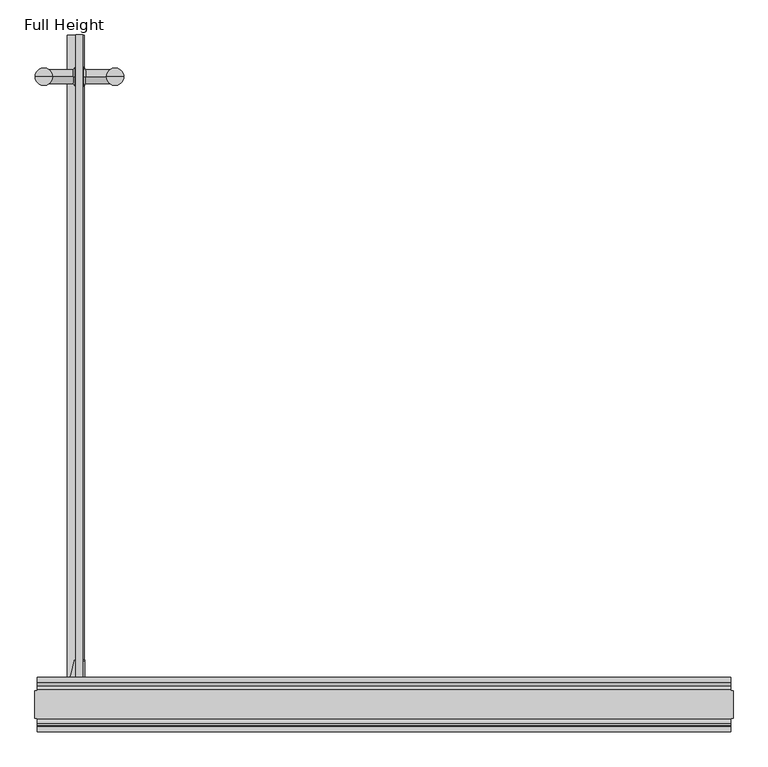
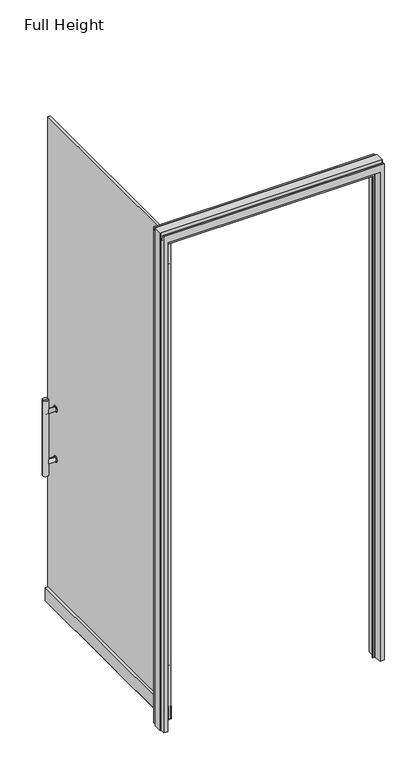
"""IFC4 building model written with IfcOpenShell, lengths in millimetres: plate geometry, Full Height."""

from ifc_helpers import new_model, si_unit, point, frame, frame_2d, origin, place, context, project, spatial, polyline, circle_curve, ellipse_curve, trimmed, segment, composite_curve, outline, extrude, source, transform, mapped, element, save
from ifc_brep_helpers import plane_surface, cylinder_surface, revolved_surface, advanced_brep


def full_height_d1a05b37(model_context):
    return source(origin(), model_context, "Body", "SolidModel", [
        advanced_brep(
        [(-550.4434, 1148.6134, 901.7), (-563.1434, 1148.6134, 901.7), (-563.1434, 1148.6134, 927.1), (-550.4434, 1148.6134, 927.1), (-550.4434, 1148.6134, 896.9), (-550.4434, 1148.6134, 931.9), (-549.1734, 1148.6134, 896.9), (-549.1734, 1148.6134, 931.9), (-545.3634, 1148.6134, 901.7), (-545.3634, 1148.6134, 927.1), (-491.7059, 1148.6134, 901.7), (-491.7059, 1148.6134, 927.1), (-491.7059, 1148.6134, 914.4), (-621.8809, 1148.6134, 901.7), (-621.8809, 1148.6134, 914.4), (-621.8809, 1148.6134, 927.1), (-568.2234, 1148.6134, 901.7), (-568.2234, 1148.6134, 927.1), (-564.4134, 1148.6134, 896.9), (-564.4134, 1148.6134, 931.9), (-563.1434, 1148.6134, 896.9), (-563.1434, 1148.6134, 931.9)],
        [
            (0, 1),
            (1, 2, circle_curve(frame((-563.1434, 1148.6134, 914.4), z_axis=(1.0, 0.0, 0.0), x_axis=(0.0, 0.0, 1.0)), 12.7)),
            (2, 3),
            (3, 0, circle_curve(frame((-550.4434, 1148.6134, 914.4), z_axis=(-1.0, 0.0, 0.0), x_axis=(0.0, 0.0, 1.0)), 12.7)),
            (4, 0),
            (3, 5),
            (5, 4, circle_curve(frame((-550.4434, 1148.6134, 914.4), z_axis=(-1.0, 0.0, 0.0), x_axis=(0.0, 0.0, 1.0)), 17.5)),
            (6, 4),
            (5, 7),
            (7, 6, circle_curve(frame((-549.1734, 1148.6134, 914.4), z_axis=(-1.0, 0.0, 0.0), x_axis=(0.0, 0.0, 1.0)), 17.5)),
            (5, 4, circle_curve(frame((-550.4434, 1148.6134, 914.4), z_axis=(1.0, 0.0, 0.0), x_axis=(0.0, 0.0, 1.0)), 17.5)),
            (6, 7, circle_curve(frame((-549.1734, 1148.6134, 914.4), z_axis=(-1.0, 0.0, 0.0), x_axis=(0.0, 0.0, 1.0)), 17.5)),
            (8, 6),
            (7, 9),
            (9, 8, circle_curve(frame((-545.3634, 1148.6134, 914.4), z_axis=(-1.0, 0.0, 0.0), x_axis=(0.0, 0.0, 1.0)), 12.7)),
            (8, 9, circle_curve(frame((-545.3634, 1148.6134, 914.4), z_axis=(-1.0, 0.0, 0.0), x_axis=(0.0, 0.0, 1.0)), 12.7)),
            (10, 8),
            (9, 11),
            (11, 10, circle_curve(frame((-491.7059, 1148.6134, 914.4), z_axis=(-1.0, 0.0, 0.0), x_axis=(0.0, 0.0, 1.0)), 12.7)),
            (10, 11, circle_curve(frame((-491.7059, 1148.6134, 914.4), z_axis=(-1.0, 0.0, 0.0), x_axis=(0.0, 0.0, 1.0)), 12.7)),
            (12, 11),
            (10, 12),
            (13, 14),
            (14, 15),
            (15, 13, circle_curve(frame((-621.8809, 1148.6134, 914.4), z_axis=(-1.0, 0.0, 0.0), x_axis=(0.0, 0.0, 1.0)), 12.7)),
            (13, 15, circle_curve(frame((-621.8809, 1148.6134, 914.4), z_axis=(-1.0, 0.0, 0.0), x_axis=(0.0, 0.0, 1.0)), 12.7)),
            (16, 13),
            (15, 17),
            (17, 16, circle_curve(frame((-568.2234, 1148.6134, 914.4), z_axis=(-1.0, 0.0, 0.0), x_axis=(0.0, 0.0, 1.0)), 12.7)),
            (16, 17, circle_curve(frame((-568.2234, 1148.6134, 914.4), z_axis=(-1.0, 0.0, 0.0), x_axis=(0.0, 0.0, 1.0)), 12.7)),
            (18, 16),
            (17, 19),
            (19, 18, circle_curve(frame((-564.4134, 1148.6134, 914.4), z_axis=(-1.0, 0.0, 0.0), x_axis=(0.0, 0.0, 1.0)), 17.5)),
            (18, 19, circle_curve(frame((-564.4134, 1148.6134, 914.4), z_axis=(-1.0, 0.0, 0.0), x_axis=(0.0, 0.0, 1.0)), 17.5)),
            (20, 18),
            (19, 21),
            (21, 20, circle_curve(frame((-563.1434, 1148.6134, 914.4), z_axis=(-1.0, 0.0, 0.0), x_axis=(0.0, 0.0, 1.0)), 17.5)),
            (20, 21, circle_curve(frame((-563.1434, 1148.6134, 914.4), z_axis=(-1.0, 0.0, 0.0), x_axis=(0.0, 0.0, 1.0)), 17.5)),
            (1, 20),
            (21, 2),
            (1, 2, circle_curve(frame((-563.1434, 1148.6134, 914.4), z_axis=(-1.0, 0.0, 0.0), x_axis=(0.0, 0.0, 1.0)), 12.7)),
            (0, 3, circle_curve(frame((-550.4434, 1148.6134, 914.4), z_axis=(-1.0, 0.0, 0.0), x_axis=(0.0, 0.0, 1.0)), 12.7)),
        ],
        [
            cylinder_surface(frame((-491.7059, 1148.6134, 914.4), z_axis=(1.0, 0.0, 0.0), x_axis=(0.0, 0.0, 1.0)), 12.7),
            plane_surface(frame((-550.4434, 1148.6134, 914.4), z_axis=(-1.0, 0.0, 0.0), x_axis=(0.0, 0.0, 1.0))),
            cylinder_surface(frame((-491.7059, 1148.6134, 914.4), z_axis=(1.0, 0.0, 0.0), x_axis=(0.0, 0.0, 1.0)), 17.5),
            revolved_surface(polyline([(-549.1734, 1148.6134, 931.9), (-545.3634, 1148.6134, 927.1)]), (-491.7059, 1148.6134, 914.4), (1.0, 0.0, 0.0)),
            plane_surface(frame((-491.7059, 1148.6134, 914.4), z_axis=(1.0, 0.0, 0.0), x_axis=(0.0, 0.0, 1.0))),
            plane_surface(frame((-621.8809, 1148.6134, 914.4), z_axis=(-1.0, 0.0, 0.0), x_axis=(0.0, 0.0, 1.0))),
            revolved_surface(polyline([(-568.2234, 1148.6134, 927.1), (-564.4134, 1148.6134, 931.9)]), (-491.7059, 1148.6134, 914.4), (1.0, 0.0, 0.0)),
            plane_surface(frame((-563.1434, 1148.6134, 914.4), z_axis=(1.0, 0.0, 0.0), x_axis=(0.0, 0.0, 1.0))),
        ],
        [
            (0, [[1, 2, 3, 4]]),
            (1, [[5, -4, 6, 7]]),
            (2, [[8, -7, 9, 10]]),
            (2, [[-9, 11, -8, 12]]),
            (3, [[13, -10, 14, 15]]),
            (3, [[-14, -12, -13, 16]]),
            (0, [[17, -15, 18, 19]]),
            (0, [[-18, -16, -17, 20]]),
            (4, [[21, -20, 22]]),
            (5, [[23, 24, 25]]),
            (5, [[-24, -23, 26]]),
            (0, [[27, -25, 28, 29]]),
            (0, [[-28, -26, -27, 30]]),
            (6, [[31, -29, 32, 33]]),
            (6, [[-32, -30, -31, 34]]),
            (2, [[35, -33, 36, 37]]),
            (2, [[-36, -34, -35, 38]]),
            (7, [[39, -37, 40, -2]]),
            (7, [[-40, -38, -39, 41]]),
            (0, [[-3, -41, -1, 42]]),
            (1, [[-6, -42, -5, -11]]),
            (4, [[-22, -19, -21]]),
        ],
    ),
        advanced_brep(
        [(-549.1734, 1148.6134, 1236.7), (-545.3634, 1148.6134, 1231.9), (-545.3634, 1148.6134, 1206.5), (-549.1734, 1148.6134, 1201.7), (-550.4434, 1148.6134, 1206.5), (-550.4434, 1148.6134, 1201.7), (-550.4434, 1148.6134, 1236.7), (-550.4434, 1148.6134, 1231.9), (-563.1434, 1148.6134, 1201.7), (-563.1434, 1148.6134, 1206.5), (-563.1434, 1148.6134, 1231.9), (-563.1434, 1148.6134, 1236.7), (-621.8809, 1148.6134, 1206.5), (-568.2234, 1148.6134, 1206.5), (-568.2234, 1148.6134, 1231.9), (-621.8809, 1148.6134, 1231.9), (-621.8809, 1148.6134, 1219.2), (-491.7059, 1148.6134, 1206.5), (-491.7059, 1148.6134, 1219.2), (-491.7059, 1148.6134, 1231.9), (-564.4134, 1148.6134, 1236.7), (-564.4134, 1148.6134, 1201.7)],
        [
            (0, 1),
            (1, 2, circle_curve(frame((-545.3634, 1148.6134, 1219.2), z_axis=(-1.0, 0.0, 0.0), x_axis=(0.0, 0.0, -1.0)), 12.7)),
            (2, 3),
            (3, 0, circle_curve(frame((-549.1734, 1148.6134, 1219.2), z_axis=(1.0, 0.0, 0.0), x_axis=(0.0, 0.0, -1.0)), 17.5)),
            (4, 5),
            (5, 6, circle_curve(frame((-550.4434, 1148.6134, 1219.2), z_axis=(-1.0, 0.0, 0.0), x_axis=(0.0, 0.0, -1.0)), 17.5)),
            (6, 7),
            (7, 4, circle_curve(frame((-550.4434, 1148.6134, 1219.2), z_axis=(1.0, 0.0, 0.0), x_axis=(0.0, 0.0, -1.0)), 12.7)),
            (8, 9),
            (9, 10, circle_curve(frame((-563.1434, 1148.6134, 1219.2), z_axis=(-1.0, 0.0, 0.0), x_axis=(0.0, 0.0, -1.0)), 12.7)),
            (10, 11),
            (11, 8, circle_curve(frame((-563.1434, 1148.6134, 1219.2), z_axis=(1.0, 0.0, 0.0), x_axis=(0.0, 0.0, -1.0)), 17.5)),
            (12, 13),
            (13, 14, circle_curve(frame((-568.2234, 1148.6134, 1219.2), z_axis=(-1.0, 0.0, 0.0), x_axis=(0.0, 0.0, -1.0)), 12.7)),
            (14, 15),
            (15, 12, circle_curve(frame((-621.8809, 1148.6134, 1219.2), z_axis=(1.0, 0.0, 0.0), x_axis=(0.0, 0.0, -1.0)), 12.7)),
            (16, 15),
            (15, 12, circle_curve(frame((-621.8809, 1148.6134, 1219.2), z_axis=(-1.0, 0.0, 0.0), x_axis=(0.0, 0.0, -1.0)), 12.7)),
            (12, 16),
            (17, 18),
            (18, 19),
            (19, 17, circle_curve(frame((-491.7059, 1148.6134, 1219.2), z_axis=(1.0, 0.0, 0.0), x_axis=(0.0, 0.0, -1.0)), 12.7)),
            (6, 5, circle_curve(frame((-550.4434, 1148.6134, 1219.2), z_axis=(-1.0, 0.0, 0.0), x_axis=(0.0, 0.0, -1.0)), 17.5)),
            (4, 7, circle_curve(frame((-550.4434, 1148.6134, 1219.2), z_axis=(1.0, 0.0, 0.0), x_axis=(0.0, 0.0, -1.0)), 12.7)),
            (17, 19, circle_curve(frame((-491.7059, 1148.6134, 1219.2), z_axis=(1.0, 0.0, 0.0), x_axis=(0.0, 0.0, -1.0)), 12.7)),
            (1, 19),
            (17, 2),
            (1, 2, circle_curve(frame((-545.3634, 1148.6134, 1219.2), z_axis=(1.0, 0.0, 0.0), x_axis=(0.0, 0.0, -1.0)), 12.7)),
            (0, 3, circle_curve(frame((-549.1734, 1148.6134, 1219.2), z_axis=(1.0, 0.0, 0.0), x_axis=(0.0, 0.0, -1.0)), 17.5)),
            (6, 0),
            (3, 5),
            (10, 7),
            (4, 9),
            (9, 10, circle_curve(frame((-563.1434, 1148.6134, 1219.2), z_axis=(1.0, 0.0, 0.0), x_axis=(0.0, 0.0, -1.0)), 12.7)),
            (8, 11, circle_curve(frame((-563.1434, 1148.6134, 1219.2), z_axis=(1.0, 0.0, 0.0), x_axis=(0.0, 0.0, -1.0)), 17.5)),
            (20, 11),
            (8, 21),
            (21, 20, circle_curve(frame((-564.4134, 1148.6134, 1219.2), z_axis=(1.0, 0.0, 0.0), x_axis=(0.0, 0.0, -1.0)), 17.5)),
            (20, 21, circle_curve(frame((-564.4134, 1148.6134, 1219.2), z_axis=(1.0, 0.0, 0.0), x_axis=(0.0, 0.0, -1.0)), 17.5)),
            (14, 20),
            (21, 13),
            (13, 14, circle_curve(frame((-568.2234, 1148.6134, 1219.2), z_axis=(1.0, 0.0, 0.0), x_axis=(0.0, 0.0, -1.0)), 12.7)),
        ],
        [
            revolved_surface(polyline([(-545.3634, 1148.6134, 1206.5), (-549.1734, 1148.6134, 1201.7)]), (-491.7059, 1148.6134, 1219.2), (-1.0, 0.0, 0.0)),
            plane_surface(frame((-550.4434, 1148.6134, 1219.2), z_axis=(-1.0, 0.0, 0.0), x_axis=(0.0, 0.0, -1.0))),
            plane_surface(frame((-563.1434, 1148.6134, 1219.2), z_axis=(1.0, 0.0, 0.0), x_axis=(0.0, 0.0, -1.0))),
            cylinder_surface(frame((-491.7059, 1148.6134, 1219.2), z_axis=(-1.0, 0.0, 0.0), x_axis=(0.0, 0.0, -1.0)), 12.7),
            plane_surface(frame((-621.8809, 1148.6134, 1219.2), z_axis=(-1.0, 0.0, 0.0), x_axis=(0.0, 0.0, -1.0))),
            plane_surface(frame((-491.7059, 1148.6134, 1219.2), z_axis=(1.0, 0.0, 0.0), x_axis=(0.0, 0.0, -1.0))),
            cylinder_surface(frame((-491.7059, 1148.6134, 1219.2), z_axis=(-1.0, 0.0, 0.0), x_axis=(0.0, 0.0, -1.0)), 17.5),
            revolved_surface(polyline([(-564.4134, 1148.6134, 1201.7), (-568.2234, 1148.6134, 1206.5)]), (-491.7059, 1148.6134, 1219.2), (-1.0, 0.0, 0.0)),
        ],
        [
            (0, [[1, 2, 3, 4]]),
            (1, [[5, 6, 7, 8]]),
            (2, [[9, 10, 11, 12]]),
            (3, [[13, 14, 15, 16]]),
            (4, [[17, 18, 19]]),
            (4, [[-19, -16, -17]]),
            (5, [[20, 21, 22]]),
            (1, [[-7, 23, -5, 24]]),
            (5, [[-21, -20, 25]]),
            (3, [[26, -25, 27, -2]]),
            (3, [[-27, -22, -26, 28]]),
            (0, [[-3, -28, -1, 29]]),
            (6, [[30, -4, 31, -23]]),
            (6, [[-31, -29, -30, -6]]),
            (3, [[32, -24, 33, 34]]),
            (3, [[-33, -8, -32, -10]]),
            (2, [[-11, -34, -9, 35]]),
            (6, [[36, -35, 37, 38]]),
            (6, [[-37, -12, -36, 39]]),
            (7, [[40, -38, 41, 42]]),
            (7, [[-41, -39, -40, -14]]),
            (3, [[-15, -42, -13, -18]]),
        ],
    ),
        advanced_brep(
        [(-606.0059, 1148.6134, 1295.4), (-621.8809, 1148.6134, 1295.4), (-637.7559, 1148.6134, 1295.4), (-606.0059, 1148.6134, 838.2), (-637.7559, 1148.6134, 838.2), (-621.8809, 1148.6134, 838.2)],
        [
            (0, 1),
            (1, 2),
            (2, 0, circle_curve(frame((-621.8809, 1148.6134, 1295.4), z_axis=(0.0, 0.0, 1.0), x_axis=(1.0, 0.0, 0.0)), 15.875)),
            (3, 0),
            (2, 4),
            (4, 3, circle_curve(frame((-621.8809, 1148.6134, 838.2), z_axis=(0.0, 0.0, 1.0), x_axis=(1.0, 0.0, 0.0)), 15.875)),
            (0, 2, circle_curve(frame((-621.8809, 1148.6134, 1295.4), z_axis=(0.0, 0.0, 1.0), x_axis=(1.0, 0.0, 0.0)), 15.875)),
            (5, 4),
            (4, 3, circle_curve(frame((-621.8809, 1148.6134, 838.2), z_axis=(0.0, 0.0, -1.0), x_axis=(1.0, 0.0, 0.0)), 15.875)),
            (3, 5),
        ],
        [
            plane_surface(frame((-621.8809, 1148.6134, 1295.4), z_axis=(0.0, 0.0, 1.0), x_axis=(1.0, 0.0, 0.0))),
            cylinder_surface(frame((-621.8809, 1148.6134, 838.2), z_axis=(0.0, 0.0, -1.0), x_axis=(1.0, 0.0, 0.0)), 15.875),
            plane_surface(frame((-621.8809, 1148.6134, 838.2), z_axis=(0.0, 0.0, -1.0), x_axis=(1.0, 0.0, 0.0))),
        ],
        [
            (0, [[1, 2, 3]]),
            (1, [[4, -3, 5, 6]]),
            (0, [[-2, -1, 7]]),
            (2, [[8, 9, 10]]),
            (1, [[-5, -7, -4, -9]]),
            (2, [[-10, -6, -8]]),
        ],
    ),
        advanced_brep(
        [(-475.8309, 1148.6134, 1295.4), (-491.7059, 1148.6134, 1295.4), (-507.5809, 1148.6134, 1295.4), (-507.5809, 1148.6134, 838.2), (-475.8309, 1148.6134, 838.2), (-491.7059, 1148.6134, 838.2)],
        [
            (0, 1),
            (1, 2),
            (2, 0, circle_curve(frame((-491.7059, 1148.6134, 1295.4), z_axis=(0.0, 0.0, 1.0), x_axis=(1.0, 0.0, 0.0)), 15.875)),
            (3, 2),
            (2, 0, circle_curve(frame((-491.7059, 1148.6134, 1295.4), z_axis=(0.0, 0.0, -1.0), x_axis=(1.0, 0.0, 0.0)), 15.875)),
            (0, 4),
            (4, 3, circle_curve(frame((-491.7059, 1148.6134, 838.2), z_axis=(0.0, 0.0, 1.0), x_axis=(1.0, 0.0, 0.0)), 15.875)),
            (3, 4, circle_curve(frame((-491.7059, 1148.6134, 838.2), z_axis=(0.0, 0.0, 1.0), x_axis=(1.0, 0.0, 0.0)), 15.875)),
            (5, 3),
            (4, 5),
        ],
        [
            plane_surface(frame((-491.7059, 1148.6134, 1295.4), z_axis=(0.0, 0.0, 1.0), x_axis=(1.0, 0.0, 0.0))),
            cylinder_surface(frame((-491.7059, 1148.6134, 838.2), z_axis=(0.0, 0.0, -1.0), x_axis=(1.0, 0.0, 0.0)), 15.875),
            plane_surface(frame((-491.7059, 1148.6134, 838.2), z_axis=(0.0, 0.0, -1.0), x_axis=(1.0, 0.0, 0.0))),
        ],
        [
            (0, [[1, 2, 3]]),
            (1, [[4, 5, 6, 7]]),
            (0, [[-2, -1, -5]]),
            (1, [[-6, -3, -4, 8]]),
            (2, [[9, -7, 10]]),
            (2, [[-10, -8, -9]]),
        ],
    ),
        extrude(outline(composite_curve([segment(polyline([(10.668, -577.1134), (8.382, -577.1134)]), True, "CONTINUOUS"), segment(trimmed(circle_curve(frame_2d((8.382, -575.0814)), 2.032), [point((8.382, -577.1134))], [point((6.35, -575.0814))], False, "CARTESIAN"), True, "CONTINUOUS"), segment(polyline([(6.35, -575.0814), (6.35, -565.1754)]), True, "CONTINUOUS"), segment(trimmed(circle_curve(frame_2d((8.382, -565.1754)), 2.032), [point((6.35, -565.1754))], [point((8.382, -563.1434))], False, "CARTESIAN"), True, "CONTINUOUS"), segment(polyline([(8.382, -563.1434), (10.668, -563.1434), (10.668, -577.1134)]), True, "CONTINUOUS")], self_intersect=False)), frame((0.0, 24.6634, 0.0), z_axis=(0.0, 1.0, 0.0), x_axis=(0.0, 0.0, 1.0)), (0.0, 0.0, 1.0), 1200.15),
        extrude(outline(polyline([(90.932, -550.4434), (12.7, -550.4434), (12.7, -563.1434), (90.932, -563.1434), (90.932, -579.1454), (10.668, -579.1454), (10.668, -548.4114), (90.932, -548.4114), (90.932, -550.4434)])), frame((0.0, 24.6634, 0.0), z_axis=(0.0, 1.0, 0.0), x_axis=(0.0, 0.0, 1.0)), (0.0, 0.0, 1.0), 1200.15),
        extrude(outline(polyline([(-563.1434, 1224.8134), (-550.4434, 1224.8134), (-550.4434, 24.6634), (-563.1434, 24.6634), (-563.1434, 1224.8134)])), frame((0.0, 0.0, 12.7), z_axis=(0.0, 0.0, 1.0), x_axis=(1.0, 0.0, 0.0)), (0.0, 0.0, 1.0), 2936.24),
        extrude(outline(composite_curve([segment(polyline([(40.6654, 2851.912), (80.0354, 2851.912)]), True, "CONTINUOUS"), segment(trimmed(circle_curve(frame_2d((80.0354, 2850.642)), 1.27), [point((80.0354, 2851.912))], [point((81.3054, 2850.642))], False, "CARTESIAN"), True, "CONTINUOUS"), segment(polyline([(81.3054, 2850.642), (81.3054, 2768.092)]), True, "CONTINUOUS"), segment(trimmed(circle_curve(frame_2d((80.0354, 2768.092)), 1.27), [point((81.3054, 2768.092))], [point((80.0354, 2766.822))], False, "CARTESIAN"), True, "CONTINUOUS"), segment(polyline([(80.0354, 2766.822), (40.6654, 2766.822)]), True, "CONTINUOUS"), segment(trimmed(circle_curve(frame_2d((40.6654, 2768.092)), 1.27), [point((40.6654, 2766.822))], [point((39.3954, 2768.092))], False, "CARTESIAN"), True, "CONTINUOUS"), segment(polyline([(39.3954, 2768.092), (39.3954, 2850.642)]), True, "CONTINUOUS"), segment(trimmed(circle_curve(frame_2d((40.6654, 2850.642)), 1.27), [point((39.3954, 2850.642))], [point((40.6654, 2851.912))], False, "CARTESIAN"), True, "CONTINUOUS")], self_intersect=False)), frame((-550.4434, 0.0, 0.0), z_axis=(1.0, 0.0, 0.0), x_axis=(0.0, 1.0, 0.0)), (0.0, 0.0, 1.0), 3.048),
        extrude(outline(composite_curve([segment(polyline([(40.6654, 410.972), (80.0354, 410.972)]), True, "CONTINUOUS"), segment(trimmed(circle_curve(frame_2d((80.0354, 409.702)), 1.27), [point((80.0354, 410.972))], [point((81.3054, 409.702))], False, "CARTESIAN"), True, "CONTINUOUS"), segment(polyline([(81.3054, 409.702), (81.3054, 327.152)]), True, "CONTINUOUS"), segment(trimmed(circle_curve(frame_2d((80.0354, 327.152)), 1.27), [point((81.3054, 327.152))], [point((80.0354, 325.882))], False, "CARTESIAN"), True, "CONTINUOUS"), segment(polyline([(80.0354, 325.882), (40.6654, 325.882)]), True, "CONTINUOUS"), segment(trimmed(circle_curve(frame_2d((40.6654, 327.152)), 1.27), [point((40.6654, 325.882))], [point((39.3954, 327.152))], False, "CARTESIAN"), True, "CONTINUOUS"), segment(polyline([(39.3954, 327.152), (39.3954, 409.702)]), True, "CONTINUOUS"), segment(trimmed(circle_curve(frame_2d((40.6654, 409.702)), 1.27), [point((39.3954, 409.702))], [point((40.6654, 410.972))], False, "CARTESIAN"), True, "CONTINUOUS")], self_intersect=False)), frame((-550.4434, 0.0, 0.0), z_axis=(1.0, 0.0, 0.0), x_axis=(0.0, 1.0, 0.0)), (0.0, 0.0, 1.0), 3.048),
        extrude(outline(composite_curve([segment(trimmed(circle_curve(frame_2d((-579.5376705, 53.8958579)), 6.6563786), [point((-582.4397061, 47.9054016))], [point((-573.0790148, 52.2855341))], True, "CARTESIAN"), True, "CONTINUOUS"), segment(polyline([(-573.0790148, 52.2855341), (-566.2276181, 79.7649853)]), True, "CONTINUOUS"), segment(trimmed(circle_curve(frame_2d((-564.2559772, 79.2734)), 2.032), [point((-566.2276181, 79.7649853))], [point((-564.2559772, 81.3054))], False, "CARTESIAN"), True, "CONTINUOUS"), segment(polyline([(-564.2559772, 81.3054), (-563.1434, 81.3054), (-563.1434, 39.3954)]), True, "CONTINUOUS"), segment(trimmed(circle_curve(frame_2d((-564.0330729, 27.7937419)), 11.6357204), [point((-563.1434, 39.3954))], [point((-575.1579919, 31.2034582))], True, "CARTESIAN"), True, "CONTINUOUS"), segment(trimmed(circle_curve(frame_2d((-588.5434, 35.306)), 14.0), [point((-575.1579919, 31.2034582))], [point((-582.4397061, 47.9054016))], False, "CARTESIAN"), True, "CONTINUOUS")], self_intersect=False)), frame((0.0, 0.0, 2766.822), z_axis=(0.0, 0.0, 1.0), x_axis=(1.0, 0.0, 0.0)), (0.0, 0.0, 1.0), 85.09),
        extrude(outline(composite_curve([segment(trimmed(circle_curve(frame_2d((-579.5376705, 53.8958579)), 6.6563786), [point((-582.4397061, 47.9054016))], [point((-573.0790148, 52.2855341))], True, "CARTESIAN"), True, "CONTINUOUS"), segment(polyline([(-573.0790148, 52.2855341), (-566.2276181, 79.7649853)]), True, "CONTINUOUS"), segment(trimmed(circle_curve(frame_2d((-564.2559772, 79.2734)), 2.032), [point((-566.2276181, 79.7649853))], [point((-564.2559772, 81.3054))], False, "CARTESIAN"), True, "CONTINUOUS"), segment(polyline([(-564.2559772, 81.3054), (-563.1434, 81.3054), (-563.1434, 39.3954)]), True, "CONTINUOUS"), segment(trimmed(circle_curve(frame_2d((-564.0330729, 27.7937419)), 11.6357204), [point((-563.1434, 39.3954))], [point((-575.1579919, 31.2034582))], True, "CARTESIAN"), True, "CONTINUOUS"), segment(trimmed(circle_curve(frame_2d((-588.5434, 35.306)), 14.0), [point((-575.1579919, 31.2034582))], [point((-582.4397061, 47.9054016))], False, "CARTESIAN"), True, "CONTINUOUS")], self_intersect=False)), frame((0.0, 0.0, 325.882), z_axis=(0.0, 0.0, 1.0), x_axis=(1.0, 0.0, 0.0)), (0.0, 0.0, 1.0), 85.09),
        advanced_brep(
        [(-574.5734, 35.306, 2766.822), (-574.5734, 35.306, 2762.758), (-602.5134, 35.306, 2762.758), (-602.5134, 35.306, 2766.822), (-588.5434, 35.306, 2766.822), (-588.5434, 35.306, 2762.758)],
        [
            (0, 1),
            (1, 2, circle_curve(frame((-588.5434, 35.306, 2762.758), z_axis=(0.0, 0.0, 1.0), x_axis=(1.0, 0.0, 0.0)), 13.97)),
            (2, 3),
            (3, 0, circle_curve(frame((-588.5434, 35.306, 2766.822), z_axis=(0.0, 0.0, -1.0), x_axis=(1.0, 0.0, 0.0)), 13.97)),
            (2, 1, circle_curve(frame((-588.5434, 35.306, 2762.758), z_axis=(0.0, 0.0, 1.0), x_axis=(1.0, 0.0, 0.0)), 13.97)),
            (0, 3, circle_curve(frame((-588.5434, 35.306, 2766.822), z_axis=(0.0, 0.0, -1.0), x_axis=(1.0, 0.0, 0.0)), 13.97)),
            (4, 3),
            (0, 4),
            (2, 5),
            (5, 1),
        ],
        [
            cylinder_surface(frame((-588.5434, 35.306, 306.1236241), z_axis=(0.0, 0.0, 1.0), x_axis=(1.0, 0.0, 0.0)), 13.97),
            plane_surface(frame((-588.5434, 35.306, 2766.822), z_axis=(0.0, 0.0, 1.0), x_axis=(1.0, 0.0, 0.0))),
            plane_surface(frame((-588.5434, 35.306, 2762.758), z_axis=(0.0, 0.0, -1.0), x_axis=(1.0, 0.0, 0.0))),
        ],
        [
            (0, [[1, 2, 3, 4]]),
            (0, [[-3, 5, -1, 6]]),
            (1, [[7, -6, 8]]),
            (1, [[-8, -4, -7]]),
            (2, [[9, 10, -5]]),
            (2, [[-10, -9, -2]]),
        ],
    ),
        advanced_brep(
        [(-602.5134, 35.306, 2854.3356452), (-602.5134, 35.306, 2851.912), (-574.5734, 35.306, 2851.912), (-574.5734, 35.306, 2854.3356452), (-589.8134, 35.306, 2856.6745), (-587.2734, 35.306, 2856.6745), (-588.5434, 35.306, 2856.6745), (-588.5434, 35.306, 2851.912)],
        [
            (0, 1),
            (1, 2, circle_curve(frame((-588.5434, 35.306, 2851.912), z_axis=(0.0, 0.0, 1.0), x_axis=(1.0, 0.0, 0.0)), 13.97)),
            (2, 3),
            (3, 0, circle_curve(frame((-588.5434, 35.306, 2854.3356452), z_axis=(0.0, 0.0, -1.0), x_axis=(1.0, 0.0, 0.0)), 13.97)),
            (2, 1, circle_curve(frame((-588.5434, 35.306, 2851.912), z_axis=(0.0, 0.0, 1.0), x_axis=(1.0, 0.0, 0.0)), 13.97)),
            (0, 3, circle_curve(frame((-588.5434, 35.306, 2854.3356452), z_axis=(0.0, 0.0, -1.0), x_axis=(1.0, 0.0, 0.0)), 13.97)),
            (4, 0, circle_curve(frame((-589.8134, 35.306, 2821.0245227), z_axis=(0.0, -1.0, 0.0), x_axis=(-1.0, 0.0, 0.0)), 35.6499773)),
            (3, 5, circle_curve(frame((-587.2734, 35.306, 2821.0245227), z_axis=(0.0, -1.0, 0.0), x_axis=(1.0, 0.0, 0.0)), 35.6499773)),
            (5, 4, circle_curve(frame((-588.5434, 35.306, 2856.6745), z_axis=(0.0, 0.0, -1.0), x_axis=(1.0, 0.0, 0.0)), 1.27)),
            (4, 5, circle_curve(frame((-588.5434, 35.306, 2856.6745), z_axis=(0.0, 0.0, -1.0), x_axis=(1.0, 0.0, 0.0)), 1.27)),
            (6, 4),
            (5, 6),
            (1, 7),
            (7, 2),
        ],
        [
            cylinder_surface(frame((-588.5434, 35.306, 306.1236241), z_axis=(0.0, 0.0, 1.0), x_axis=(1.0, 0.0, 0.0)), 13.97),
            revolved_surface(trimmed(ellipse_curve(frame((-587.2734, 35.306, 2821.0245227), z_axis=(0.0, -1.0, 0.0), x_axis=(1.0, 0.0, 0.0)), 35.6499773, 35.6499773), [point((-574.5734, 35.306, 2854.3356452))], [point((-587.2734, 35.306, 2856.6745))], True, "CARTESIAN"), (-588.5434, 35.306, 306.1236241), (0.0, 0.0, 1.0)),
            plane_surface(frame((-588.5434, 35.306, 2856.6745), z_axis=(0.0, 0.0, 1.0), x_axis=(1.0, 0.0, 0.0))),
            plane_surface(frame((-588.5434, 35.306, 2851.912), z_axis=(0.0, 0.0, -1.0), x_axis=(1.0, 0.0, 0.0))),
        ],
        [
            (0, [[1, 2, 3, 4]]),
            (0, [[-3, 5, -1, 6]]),
            (1, [[7, -4, 8, 9]]),
            (1, [[-8, -6, -7, 10]]),
            (2, [[11, -9, 12]]),
            (2, [[-12, -10, -11]]),
            (3, [[13, 14, -2]]),
            (3, [[-14, -13, -5]]),
        ],
    ),
        advanced_brep(
        [(-602.5134, 35.306, 234.3043548), (-589.8134, 35.306, 231.9655), (-587.2734, 35.306, 231.9655), (-574.5734, 35.306, 234.3043548), (-602.5134, 35.306, 236.728), (-574.5734, 35.306, 236.728), (-588.5434, 35.306, 236.728), (-588.5434, 35.306, 231.9655)],
        [
            (0, 1, circle_curve(frame((-589.8134, 35.306, 267.6154773), z_axis=(0.0, -1.0, 0.0), x_axis=(-1.0, 0.0, 0.0)), 35.6499773)),
            (1, 2, circle_curve(frame((-588.5434, 35.306, 231.9655), z_axis=(0.0, 0.0, 1.0), x_axis=(1.0, 0.0, 0.0)), 1.27)),
            (2, 3, circle_curve(frame((-587.2734, 35.306, 267.6154773), z_axis=(0.0, -1.0, 0.0), x_axis=(1.0, 0.0, 0.0)), 35.6499773)),
            (3, 0, circle_curve(frame((-588.5434, 35.306, 234.3043548), z_axis=(0.0, 0.0, -1.0), x_axis=(1.0, 0.0, 0.0)), 13.97)),
            (4, 0),
            (3, 5),
            (5, 4, circle_curve(frame((-588.5434, 35.306, 236.728), z_axis=(0.0, 0.0, -1.0), x_axis=(1.0, 0.0, 0.0)), 13.97)),
            (3, 0, circle_curve(frame((-588.5434, 35.306, 234.3043548), z_axis=(0.0, 0.0, 1.0), x_axis=(1.0, 0.0, 0.0)), 13.97)),
            (4, 5, circle_curve(frame((-588.5434, 35.306, 236.728), z_axis=(0.0, 0.0, -1.0), x_axis=(1.0, 0.0, 0.0)), 13.97)),
            (6, 4),
            (5, 6),
            (1, 7),
            (7, 2),
            (1, 2, circle_curve(frame((-588.5434, 35.306, 231.9655), z_axis=(0.0, 0.0, -1.0), x_axis=(1.0, 0.0, 0.0)), 1.27)),
        ],
        [
            revolved_surface(trimmed(ellipse_curve(frame((-587.2734, 35.306, 267.6154773), z_axis=(0.0, -1.0, 0.0), x_axis=(1.0, 0.0, 0.0)), 35.6499773, 35.6499773), [point((-587.2734, 35.306, 231.9655))], [point((-574.5734, 35.306, 234.3043548))], True, "CARTESIAN"), (-588.5434, 35.306, 306.1236241), (0.0, 0.0, 1.0)),
            cylinder_surface(frame((-588.5434, 35.306, 306.1236241), z_axis=(0.0, 0.0, 1.0), x_axis=(1.0, 0.0, 0.0)), 13.97),
            plane_surface(frame((-588.5434, 35.306, 236.728), z_axis=(0.0, 0.0, 1.0), x_axis=(1.0, 0.0, 0.0))),
            plane_surface(frame((-588.5434, 35.306, 231.9655), z_axis=(0.0, 0.0, -1.0), x_axis=(1.0, 0.0, 0.0))),
        ],
        [
            (0, [[1, 2, 3, 4]]),
            (1, [[5, -4, 6, 7]]),
            (1, [[-6, 8, -5, 9]]),
            (2, [[10, -7, 11]]),
            (2, [[-11, -9, -10]]),
            (3, [[12, 13, -2]]),
            (3, [[-13, -12, 14]]),
            (0, [[-3, -14, -1, -8]]),
        ],
    ),
        advanced_brep(
        [(-602.5134, 35.306, 325.882), (-602.5134, 35.306, 321.818), (-574.5734, 35.306, 321.818), (-574.5734, 35.306, 325.882), (-588.5434, 35.306, 325.882), (-588.5434, 35.306, 321.818)],
        [
            (0, 1),
            (1, 2, circle_curve(frame((-588.5434, 35.306, 321.818), z_axis=(0.0, 0.0, 1.0), x_axis=(1.0, 0.0, 0.0)), 13.97)),
            (2, 3),
            (3, 0, circle_curve(frame((-588.5434, 35.306, 325.882), z_axis=(0.0, 0.0, -1.0), x_axis=(1.0, 0.0, 0.0)), 13.97)),
            (4, 0),
            (3, 4),
            (3, 0, circle_curve(frame((-588.5434, 35.306, 325.882), z_axis=(0.0, 0.0, 1.0), x_axis=(1.0, 0.0, 0.0)), 13.97)),
            (1, 5),
            (5, 2),
            (1, 2, circle_curve(frame((-588.5434, 35.306, 321.818), z_axis=(0.0, 0.0, -1.0), x_axis=(1.0, 0.0, 0.0)), 13.97)),
        ],
        [
            cylinder_surface(frame((-588.5434, 35.306, 306.1236241), z_axis=(0.0, 0.0, 1.0), x_axis=(1.0, 0.0, 0.0)), 13.97),
            plane_surface(frame((-588.5434, 35.306, 325.882), z_axis=(0.0, 0.0, 1.0), x_axis=(1.0, 0.0, 0.0))),
            plane_surface(frame((-588.5434, 35.306, 321.818), z_axis=(0.0, 0.0, -1.0), x_axis=(1.0, 0.0, 0.0))),
        ],
        [
            (0, [[1, 2, 3, 4]]),
            (1, [[5, -4, 6]]),
            (1, [[-6, 7, -5]]),
            (2, [[8, 9, -2]]),
            (2, [[-9, -8, 10]]),
            (0, [[-3, -10, -1, -7]]),
        ],
    ),
        advanced_brep(
        [(-602.5134, 35.306, 410.972), (-588.5434, 35.306, 410.972), (-574.5734, 35.306, 410.972), (-602.5134, 35.306, 413.3956452), (-574.5734, 35.306, 413.3956452), (-589.8134, 35.306, 415.7345), (-587.2734, 35.306, 415.7345), (-588.5434, 35.306, 415.7345)],
        [
            (0, 1),
            (1, 2),
            (2, 0, circle_curve(frame((-588.5434, 35.306, 410.972), z_axis=(0.0, 0.0, -1.0), x_axis=(1.0, 0.0, 0.0)), 13.97)),
            (3, 0),
            (2, 4),
            (4, 3, circle_curve(frame((-588.5434, 35.306, 413.3956452), z_axis=(0.0, 0.0, -1.0), x_axis=(1.0, 0.0, 0.0)), 13.97)),
            (2, 0, circle_curve(frame((-588.5434, 35.306, 410.972), z_axis=(0.0, 0.0, 1.0), x_axis=(1.0, 0.0, 0.0)), 13.97)),
            (3, 4, circle_curve(frame((-588.5434, 35.306, 413.3956452), z_axis=(0.0, 0.0, -1.0), x_axis=(1.0, 0.0, 0.0)), 13.97)),
            (5, 3, circle_curve(frame((-589.8134, 35.306, 380.0845227), z_axis=(0.0, -1.0, 0.0), x_axis=(-1.0, 0.0, 0.0)), 35.6499773)),
            (4, 6, circle_curve(frame((-587.2734, 35.306, 380.0845227), z_axis=(0.0, -1.0, 0.0), x_axis=(1.0, 0.0, 0.0)), 35.6499773)),
            (6, 5, circle_curve(frame((-588.5434, 35.306, 415.7345), z_axis=(0.0, 0.0, -1.0), x_axis=(1.0, 0.0, 0.0)), 1.27)),
            (5, 6, circle_curve(frame((-588.5434, 35.306, 415.7345), z_axis=(0.0, 0.0, -1.0), x_axis=(1.0, 0.0, 0.0)), 1.27)),
            (7, 5),
            (6, 7),
        ],
        [
            plane_surface(frame((-588.5434, 35.306, 410.972), z_axis=(0.0, 0.0, -1.0), x_axis=(1.0, 0.0, 0.0))),
            cylinder_surface(frame((-588.5434, 35.306, 306.1236241), z_axis=(0.0, 0.0, 1.0), x_axis=(1.0, 0.0, 0.0)), 13.97),
            revolved_surface(trimmed(ellipse_curve(frame((-587.2734, 35.306, 380.0845227), z_axis=(0.0, -1.0, 0.0), x_axis=(1.0, 0.0, 0.0)), 35.6499773, 35.6499773), [point((-574.5734, 35.306, 413.3956452))], [point((-587.2734, 35.306, 415.7345))], True, "CARTESIAN"), (-588.5434, 35.306, 306.1236241), (0.0, 0.0, 1.0)),
            plane_surface(frame((-588.5434, 35.306, 415.7345), z_axis=(0.0, 0.0, 1.0), x_axis=(1.0, 0.0, 0.0))),
        ],
        [
            (0, [[1, 2, 3]]),
            (1, [[4, -3, 5, 6]]),
            (1, [[-5, 7, -4, 8]]),
            (2, [[9, -6, 10, 11]]),
            (2, [[-10, -8, -9, 12]]),
            (3, [[13, -11, 14]]),
            (3, [[-14, -12, -13]]),
            (0, [[-2, -1, -7]]),
        ],
    ),
        advanced_brep(
        [(-602.5134, 35.306, 2675.2443548), (-589.8134, 35.306, 2672.9055), (-587.2734, 35.306, 2672.9055), (-574.5734, 35.306, 2675.2443548), (-602.5134, 35.306, 2677.668), (-574.5734, 35.306, 2677.668), (-588.5434, 35.306, 2677.668), (-588.5434, 35.306, 2672.9055)],
        [
            (0, 1, circle_curve(frame((-589.8134, 35.306, 2708.5554773), z_axis=(0.0, -1.0, 0.0), x_axis=(-1.0, 0.0, 0.0)), 35.6499773)),
            (1, 2, circle_curve(frame((-588.5434, 35.306, 2672.9055), z_axis=(0.0, 0.0, 1.0), x_axis=(1.0, 0.0, 0.0)), 1.27)),
            (2, 3, circle_curve(frame((-587.2734, 35.306, 2708.5554773), z_axis=(0.0, -1.0, 0.0), x_axis=(1.0, 0.0, 0.0)), 35.6499773)),
            (3, 0, circle_curve(frame((-588.5434, 35.306, 2675.2443548), z_axis=(0.0, 0.0, -1.0), x_axis=(1.0, 0.0, 0.0)), 13.97)),
            (4, 0),
            (3, 5),
            (5, 4, circle_curve(frame((-588.5434, 35.306, 2677.668), z_axis=(0.0, 0.0, -1.0), x_axis=(1.0, 0.0, 0.0)), 13.97)),
            (3, 0, circle_curve(frame((-588.5434, 35.306, 2675.2443548), z_axis=(0.0, 0.0, 1.0), x_axis=(1.0, 0.0, 0.0)), 13.97)),
            (4, 5, circle_curve(frame((-588.5434, 35.306, 2677.668), z_axis=(0.0, 0.0, -1.0), x_axis=(1.0, 0.0, 0.0)), 13.97)),
            (6, 4),
            (5, 6),
            (1, 7),
            (7, 2),
            (1, 2, circle_curve(frame((-588.5434, 35.306, 2672.9055), z_axis=(0.0, 0.0, -1.0), x_axis=(1.0, 0.0, 0.0)), 1.27)),
        ],
        [
            revolved_surface(trimmed(ellipse_curve(frame((-587.2734, 35.306, 2708.5554773), z_axis=(0.0, -1.0, 0.0), x_axis=(1.0, 0.0, 0.0)), 35.6499773, 35.6499773), [point((-587.2734, 35.306, 2672.9055))], [point((-574.5734, 35.306, 2675.2443548))], True, "CARTESIAN"), (-588.5434, 35.306, 306.1236241), (0.0, 0.0, 1.0)),
            cylinder_surface(frame((-588.5434, 35.306, 306.1236241), z_axis=(0.0, 0.0, 1.0), x_axis=(1.0, 0.0, 0.0)), 13.97),
            plane_surface(frame((-588.5434, 35.306, 2677.668), z_axis=(0.0, 0.0, 1.0), x_axis=(1.0, 0.0, 0.0))),
            plane_surface(frame((-588.5434, 35.306, 2672.9055), z_axis=(0.0, 0.0, -1.0), x_axis=(1.0, 0.0, 0.0))),
        ],
        [
            (0, [[1, 2, 3, 4]]),
            (1, [[5, -4, 6, 7]]),
            (1, [[-6, 8, -5, 9]]),
            (2, [[10, -7, 11]]),
            (2, [[-11, -9, -10]]),
            (3, [[12, 13, -2]]),
            (3, [[-13, -12, 14]]),
            (0, [[-3, -14, -1, -8]]),
        ],
    ),
        extrude(outline(composite_curve([segment(polyline([(-602.4954, 7.4901457), (-602.4954, -0.794)]), True, "CONTINUOUS"), segment(trimmed(circle_curve(frame_2d((-604.4954, -0.794)), 2.0), [point((-602.4954, -0.794))], [point((-604.4954, -2.794))], False, "CARTESIAN"), True, "CONTINUOUS"), segment(polyline([(-604.4954, -2.794), (-605.536, -2.794), (-605.536, 27.2146276)]), True, "CONTINUOUS"), segment(trimmed(circle_curve(frame_2d((-614.9784, 35.306)), 12.435), [point((-605.536, 27.2146276))], [point((-602.5434, 35.306))], True, "CARTESIAN"), True, "CONTINUOUS"), segment(trimmed(circle_curve(frame_2d((-588.5434, 35.306)), 14.0), [point((-602.5434, 35.306))], [point((-583.0196852, 22.4417637))], False, "CARTESIAN"), True, "CONTINUOUS"), segment(polyline([(-583.0196852, 22.4417637), (-596.4409106, 16.6788859)]), True, "CONTINUOUS"), segment(trimmed(circle_curve(frame_2d((-592.4954, 7.4901457)), 10.0), [point((-596.4409106, 16.6788859))], [point((-602.4954, 7.4901457))], True, "CARTESIAN"), True, "CONTINUOUS")], self_intersect=False)), frame((0.0, 0.0, 2677.668), z_axis=(0.0, 0.0, 1.0), x_axis=(1.0, 0.0, 0.0)), (0.0, 0.0, 1.0), 85.09),
        extrude(outline(composite_curve([segment(trimmed(circle_curve(frame_2d((-592.4954, 7.4901457)), 10.0), [point((-596.4409106, 16.6788859))], [point((-602.4954, 7.4901457))], True, "CARTESIAN"), True, "CONTINUOUS"), segment(polyline([(-602.4954, 7.4901457), (-602.4954, -0.794)]), True, "CONTINUOUS"), segment(trimmed(circle_curve(frame_2d((-604.4954, -0.794)), 2.0), [point((-602.4954, -0.794))], [point((-604.4954, -2.794))], False, "CARTESIAN"), True, "CONTINUOUS"), segment(polyline([(-604.4954, -2.794), (-605.536, -2.794), (-605.536, 27.2146276)]), True, "CONTINUOUS"), segment(trimmed(circle_curve(frame_2d((-614.9784, 35.306)), 12.435), [point((-605.536, 27.2146276))], [point((-602.5434, 35.306))], True, "CARTESIAN"), True, "CONTINUOUS"), segment(trimmed(circle_curve(frame_2d((-588.5434, 35.306)), 14.0), [point((-602.5434, 35.306))], [point((-583.0196852, 22.4417637))], False, "CARTESIAN"), True, "CONTINUOUS"), segment(polyline([(-583.0196852, 22.4417637), (-596.4409106, 16.6788859)]), True, "CONTINUOUS")], self_intersect=False)), frame((0.0, 0.0, 236.728), z_axis=(0.0, 0.0, 1.0), x_axis=(1.0, 0.0, 0.0)), (0.0, 0.0, 1.0), 85.09),
        advanced_brep(
        [(-633.603, -50.0, 0.0), (-633.603, -25.146, 0.0), (-638.175, -25.146, 0.0), (-638.175, 25.146, 0.0), (-633.603, 25.146, 0.0), (-633.603, 50.0, 0.0), (-605.536, 50.0, 0.0), (-605.536, -4.8306519, 0.0), (-592.836, -4.8306519, 0.0), (-592.836, -6.1006519, 0.0), (-605.536, -6.1006519, 0.0), (-611.505, -50.0, 0.0), (633.603, 50.0, 0.0), (633.603, 25.146, 0.0), (638.175, 25.146, 0.0), (638.175, -25.146, 0.0), (633.603, -25.146, 0.0), (633.603, -50.0, 0.0), (611.505, -50.0, 0.0), (605.536, -6.1006519, 0.0), (592.836, -6.1006519, 0.0), (592.836, -4.8306519, 0.0), (605.536, -4.8306519, 0.0), (605.536, 50.0, 0.0), (638.175, -25.146, 3025.14), (638.175, 25.146, 3025.14), (633.603, 25.146, 3025.14), (633.603, 26.67, 3025.14), (-633.603, 26.67, 3025.14), (-633.603, 25.146, 3025.14), (-638.175, 25.146, 3025.14), (-638.175, -25.146, 3025.14), (-633.603, -25.146, 3025.14), (-633.603, -26.67, 3025.14), (633.603, -26.67, 3025.14), (633.603, -25.146, 3025.14), (-633.603, 26.67, 2987.929), (-633.603, 34.2321175, 2987.2674004), (-633.603, 39.1867152, 3015.3663199), (-633.603, 39.9371387, 3015.996), (-633.603, 50.0, 3015.996), (-633.603, -50.0, 3015.996), (-633.603, -39.9371387, 3015.996), (-633.603, -39.1867152, 3015.3663199), (-633.603, -34.2321175, 2987.2674004), (-633.603, -26.67, 2987.929), (633.603, 50.0, 3015.996), (605.536, 50.0, 2971.419), (-605.536, 50.0, 2971.419), (-611.505, -50.0, 2971.419), (611.505, -50.0, 2971.419), (633.603, -50.0, 3015.996), (633.603, -26.67, 2987.929), (633.603, -34.2321175, 2987.2674004), (633.603, -39.1867152, 3015.3663199), (633.603, -39.9371387, 3015.996), (633.603, 39.9371387, 3015.996), (633.603, 39.1867152, 3015.3663199), (633.603, 34.2321175, 2987.2674004), (633.603, 26.67, 2987.929), (-605.536, -4.8306519, 2971.419), (605.536, -4.8306519, 2971.419), (592.836, -4.8306519, 2927.35), (-592.836, -4.8306519, 2927.35), (-592.836, -6.1006519, 2927.35), (592.836, -6.1006519, 2927.35), (605.536, -6.1006519, 2965.45), (-605.536, -6.1006519, 2965.45)],
        [
            (0, 1),
            (1, 2),
            (2, 3),
            (3, 4),
            (4, 5),
            (5, 6),
            (6, 7),
            (7, 8),
            (8, 9),
            (9, 10),
            (10, 11),
            (11, 0),
            (12, 13),
            (13, 14),
            (14, 15),
            (15, 16),
            (16, 17),
            (17, 18),
            (18, 19),
            (19, 20),
            (20, 21),
            (21, 22),
            (22, 23),
            (23, 12),
            (24, 25),
            (25, 26),
            (26, 27),
            (27, 28),
            (28, 29),
            (29, 30),
            (30, 31),
            (31, 32),
            (32, 33),
            (33, 34),
            (34, 35),
            (35, 24),
            (15, 24),
            (35, 16),
            (25, 14),
            (13, 26),
            (30, 3),
            (2, 31),
            (29, 4),
            (1, 32),
            (28, 36),
            (36, 37, circle_curve(frame((-633.603, 30.48, 2987.929), z_axis=(1.0, 0.0, 0.0), x_axis=(0.0, 1.0, 0.0)), 3.81)),
            (37, 38),
            (38, 39, circle_curve(frame((-633.603, 39.9371387, 3015.234), z_axis=(-1.0, 0.0, 0.0), x_axis=(0.0, 1.0, 0.0)), 0.762)),
            (39, 40),
            (40, 5),
            (0, 41),
            (41, 42),
            (42, 43, circle_curve(frame((-633.603, -39.9371387, 3015.234), z_axis=(-1.0, 0.0, 0.0), x_axis=(0.0, 1.0, 0.0)), 0.762)),
            (43, 44),
            (44, 45, circle_curve(frame((-633.603, -30.48, 2987.929), z_axis=(1.0, 0.0, 0.0), x_axis=(0.0, 1.0, 0.0)), 3.81)),
            (45, 33),
            (40, 46),
            (46, 12),
            (23, 47),
            (47, 48),
            (48, 6),
            (11, 49),
            (49, 50),
            (50, 18),
            (17, 51),
            (51, 41),
            (34, 52),
            (52, 53, circle_curve(frame((633.603, -30.48, 2987.929), z_axis=(-1.0, 0.0, 0.0), x_axis=(0.0, 1.0, 0.0)), 3.81)),
            (53, 54),
            (54, 55, circle_curve(frame((633.603, -39.9371387, 3015.234), z_axis=(1.0, 0.0, 0.0), x_axis=(0.0, 1.0, 0.0)), 0.762)),
            (55, 51),
            (46, 56),
            (56, 57, circle_curve(frame((633.603, 39.9371387, 3015.234), z_axis=(1.0, 0.0, 0.0), x_axis=(0.0, 1.0, 0.0)), 0.762)),
            (57, 58),
            (58, 59, circle_curve(frame((633.603, 30.48, 2987.929), z_axis=(-1.0, 0.0, 0.0), x_axis=(0.0, 1.0, 0.0)), 3.81)),
            (59, 27),
            (48, 60),
            (60, 7),
            (61, 47),
            (22, 61),
            (60, 61),
            (21, 62),
            (62, 63),
            (63, 8),
            (63, 64),
            (64, 9),
            (64, 65),
            (65, 20),
            (19, 66),
            (66, 67),
            (67, 10),
            (67, 49),
            (50, 66),
            (65, 62),
            (45, 52),
            (44, 53),
            (43, 54),
            (42, 55),
            (39, 56),
            (38, 57),
            (37, 58),
            (36, 59),
        ],
        [
            plane_surface(frame((-633.603, 50.0, 0.0), z_axis=(0.0, 0.0, -1.0), x_axis=(0.0, -1.0, 0.0))),
            plane_surface(frame((633.603, -25.146, 3025.14), z_axis=(0.0, 0.0, 1.0), x_axis=(-1.0, 0.0, 0.0))),
            plane_surface(frame((638.175, -25.146, 3025.14), z_axis=(0.0, -1.0, 0.0), x_axis=(0.0, 0.0, -1.0))),
            plane_surface(frame((633.603, 25.146, 3025.14), z_axis=(0.0, 1.0, 0.0), x_axis=(0.0, 0.0, -1.0))),
            plane_surface(frame((638.175, 25.146, 3025.14), z_axis=(1.0, 0.0, 0.0), x_axis=(0.0, 0.0, -1.0))),
            plane_surface(frame((-638.175, -25.146, 3025.14), z_axis=(-1.0, 0.0, 0.0), x_axis=(0.0, 0.0, -1.0))),
            plane_surface(frame((-638.175, 25.146, 3025.14), z_axis=(0.0, 1.0, 0.0), x_axis=(0.0, 0.0, -1.0))),
            plane_surface(frame((-633.603, -25.146, 3025.14), z_axis=(0.0, -1.0, 0.0), x_axis=(0.0, 0.0, -1.0))),
            plane_surface(frame((-633.603, -50.0, 2983.2046), z_axis=(-1.0, 0.0, 0.0), x_axis=(0.0, 0.0, -1.0))),
            plane_surface(frame((-633.603, 50.0, 2983.2046), z_axis=(0.0, 1.0, 0.0), x_axis=(0.0, 0.0, -1.0))),
            plane_surface(frame((-611.505, -50.0, 2983.2046), z_axis=(0.0, -1.0, 0.0), x_axis=(0.0, 0.0, -1.0))),
            plane_surface(frame((633.603, 50.0, 2983.2046), z_axis=(1.0, 0.0, 0.0), x_axis=(0.0, 0.0, -1.0))),
            plane_surface(frame((-605.536, 50.0, 2983.2046), z_axis=(1.0, 0.0, 0.0), x_axis=(0.0, 0.0, -1.0))),
            plane_surface(frame((605.536, -4.8306519, 2983.2046), z_axis=(-1.0, 0.0, 0.0), x_axis=(0.0, 0.0, -1.0))),
            plane_surface(frame((-605.536, -4.8306519, 2983.2046), z_axis=(0.0, 1.0, 0.0), x_axis=(0.0, 0.0, -1.0))),
            plane_surface(frame((-592.836, -4.8306519, 2983.2046), z_axis=(1.0, 0.0, 0.0), x_axis=(0.0, 0.0, -1.0))),
            plane_surface(frame((-592.836, -6.1006519, 2983.2046), z_axis=(0.0, -1.0, 0.0), x_axis=(0.0, 0.0, -1.0))),
            plane_surface(frame((-605.536, -6.1006519, 2983.2046), z_axis=(0.9908822943533605, -0.13473039277394036, 0.0), x_axis=(0.0, 0.0, -1.0))),
            plane_surface(frame((611.505, -50.0, 2983.2046), z_axis=(-0.9908822943533605, -0.13473039277394036, 0.0), x_axis=(0.0, 0.0, -1.0))),
            plane_surface(frame((592.836, -6.1006519, 2983.2046), z_axis=(-1.0, 0.0, 0.0), x_axis=(0.0, 0.0, -1.0))),
            plane_surface(frame((-633.603, -26.67, 3025.14), z_axis=(0.0, -1.0, 0.0), x_axis=(1.0, 0.0, 0.0))),
            revolved_surface(polyline([(633.603, -26.67, 2987.929), (-633.603, -26.67, 2987.929)]), (633.603, -30.48, 2987.929), (1.0, 0.0, 0.0)),
            plane_surface(frame((-633.603, -34.2321175, 2987.2674004), z_axis=(0.0, 0.9848077530121586, 0.1736481776672107), x_axis=(1.0, 0.0, 0.0))),
            cylinder_surface(frame((633.603, -39.9371387, 3015.234), z_axis=(-1.0, 0.0, 0.0), x_axis=(0.0, 1.0, 0.0)), 0.762),
            plane_surface(frame((-633.603, -39.9371387, 3015.996), z_axis=(0.0, 0.0, 1.0), x_axis=(1.0, 0.0, 0.0))),
            plane_surface(frame((-633.603, -4.8306519, 2971.419), z_axis=(0.0, 0.0, -1.0), x_axis=(1.0, 0.0, 0.0))),
            plane_surface(frame((-633.603, 50.0, 3015.996), z_axis=(0.0, 0.0, 1.0), x_axis=(1.0, 0.0, 0.0))),
            cylinder_surface(frame((633.603, 39.9371387, 3015.234), z_axis=(-1.0, 0.0, 0.0), x_axis=(0.0, 1.0, 0.0)), 0.762),
            plane_surface(frame((-633.603, 39.1867152, 3015.3663199), z_axis=(0.0, -0.9848077530121685, 0.17364817766715462), x_axis=(1.0, 0.0, 0.0))),
            revolved_surface(polyline([(633.603, 34.29, 2987.929), (-633.603, 34.29, 2987.929)]), (633.603, 30.48, 2987.929), (1.0, 0.0, 0.0)),
            plane_surface(frame((-633.603, 26.67, 2987.929), z_axis=(0.0, 1.0, 0.0), x_axis=(1.0, 0.0, 0.0))),
            plane_surface(frame((-633.603, -50.0, 2971.419), z_axis=(0.0, -0.13473039277391335, -0.9908822943533642), x_axis=(1.0, 0.0, 0.0))),
            plane_surface(frame((-633.603, -6.1006519, 2927.35), z_axis=(0.0, 0.0, -1.0), x_axis=(1.0, 0.0, 0.0))),
        ],
        [
            (0, [[1, 2, 3, 4, 5, 6, 7, 8, 9, 10, 11, 12]]),
            (0, [[13, 14, 15, 16, 17, 18, 19, 20, 21, 22, 23, 24]]),
            (1, [[25, 26, 27, 28, 29, 30, 31, 32, 33, 34, 35, 36]]),
            (2, [[-16, 37, -36, 38]]),
            (3, [[39, -14, 40, -26]]),
            (4, [[-37, -15, -39, -25]]),
            (5, [[41, -3, 42, -31]]),
            (6, [[-4, -41, -30, 43]]),
            (7, [[-42, -2, 44, -32]]),
            (8, [[-43, -29, 45, 46, 47, 48, 49, 50, -5]]),
            (8, [[51, 52, 53, 54, 55, 56, -33, -44, -1]]),
            (9, [[57, 58, -24, 59, 60, 61, -6, -50]]),
            (10, [[62, 63, 64, -18, 65, 66, -51, -12]]),
            (11, [[-38, -35, 67, 68, 69, 70, 71, -65, -17]]),
            (11, [[72, 73, 74, 75, 76, -27, -40, -13, -58]]),
            (12, [[-61, 77, 78, -7]]),
            (13, [[79, -59, -23, 80]]),
            (14, [[-78, 81, -80, -22, 82, 83, 84, -8]]),
            (15, [[-84, 85, 86, -9]]),
            (16, [[-86, 87, 88, -20, 89, 90, 91, -10]]),
            (17, [[92, -62, -11, -91]]),
            (18, [[-64, 93, -89, -19]]),
            (19, [[-88, 94, -82, -21]]),
            (20, [[95, -67, -34, -56]]),
            (21, [[96, -68, -95, -55]]),
            (22, [[97, -69, -96, -54]]),
            (23, [[98, -70, -97, -53]]),
            (24, [[-66, -71, -98, -52]]),
            (25, [[-79, -81, -77, -60]]),
            (26, [[99, -72, -57, -49]]),
            (27, [[100, -73, -99, -48]]),
            (28, [[101, -74, -100, -47]]),
            (29, [[102, -75, -101, -46]]),
            (30, [[-28, -76, -102, -45]]),
            (31, [[-92, -90, -93, -63]]),
            (32, [[-85, -83, -94, -87]]),
        ],
    ),
    ])


if __name__ == "__main__":
    model = new_model("IFC4")
    model_context = context("Model", 3, world=origin())
    ifc_project = project(units=[si_unit("LENGTHUNIT", "METRE", prefix="MILLI")], contexts=[model_context])
    site = spatial("IfcSite", under=ifc_project)
    building = spatial("IfcBuilding", under=site)
    placement = place(None, origin())
    full_height_shape = full_height_d1a05b37(model_context)
    element("IfcPlate", 1, ObjectType="Full Height", at=placement, inside=building, context=model_context, shape_type="MappedRepresentation", body=[
        mapped(full_height_shape, transform((0.0, 0.0, 0.0), x_axis=(1.0, 0.0, 0.0), y_axis=(0.0, 1.0, 0.0), z_axis=(0.0, 0.0, 1.0))),
    ])
    save(model, "model.ifc")
